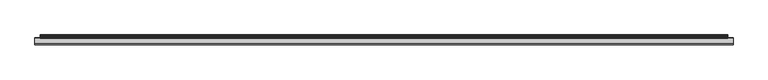
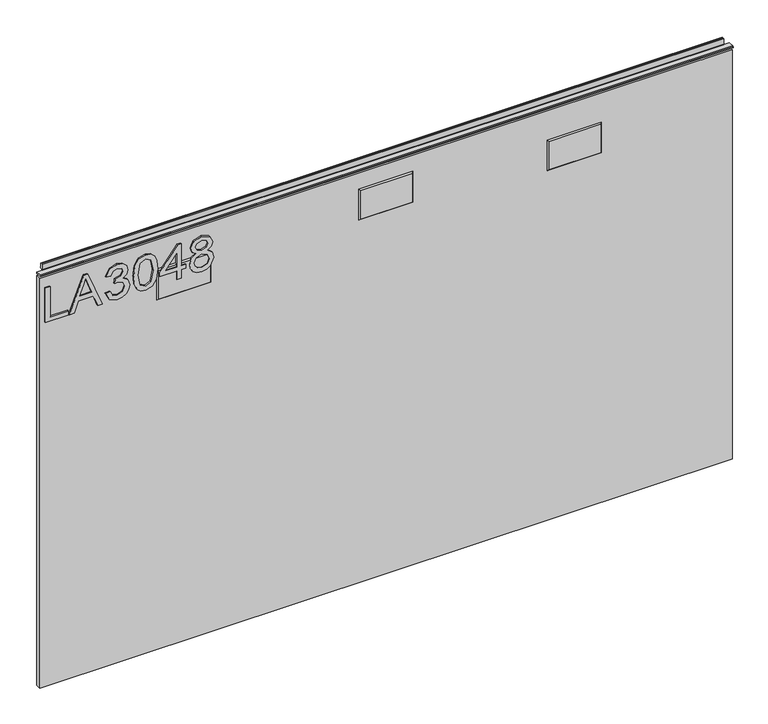
"""IFC4 building model written with IfcOpenShell, lengths in millimetres: furniture geometry."""

from ifc_helpers import new_model, si_unit, frame, origin, place, context, project, spatial, polyline, outline, extrude, faceted_brep, source, transform, mapped, element, save


def furniture_b994f93d(model_context):
    return source(origin(), model_context, "Body", "SolidModel", [
        extrude(outline(polyline([(773.6078, -289.7737583), (773.6078, -249.9051602), (781.5815196, -249.9051602), (781.5815196, -281.8000387), (837.3975569, -281.8000387), (837.3975569, -289.7737583), (773.6078, -289.7737583)])), frame((0.0, -5.5283158, 0.0), z_axis=(0.0, 1.0, 0.0), x_axis=(0.0, 0.0, 1.0)), (0.0, 0.0, 1.0), 2.38125),
        extrude(outline(polyline([(773.6078, -248.3633668), (773.6078, -239.9380107), (793.542099, -232.6495326), (793.542099, -206.3767494), (773.6078, -199.0726976), (773.6078, -190.6473416), (837.3975569, -216.1102938), (837.3975569, -222.9004145), (773.6078, -248.3633668)]), holes=[polyline([(801.5158187, -229.7216824), (818.5689885, -223.4766403), (829.4238373, -219.5053542), (817.1985055, -215.0357105), (801.5158187, -209.2890259), (801.5158187, -229.7216824)])]), frame((0.0, -5.5283158, 0.0), z_axis=(0.0, 1.0, 0.0), x_axis=(0.0, 0.0, 1.0)), (0.0, 0.0, 1.0), 2.38125),
        extrude(outline(polyline([(790.5519542, -185.1186883), (777.6102335, -178.7802041), (772.611085, -164.7950475), (774.0750101, -156.272356), (778.4667854, -149.3615394), (784.9610063, -144.7828801), (792.7322681, -143.2566603), (803.1043331, -146.3090998), (808.555118, -154.9992083), (813.8345925, -148.4582665), (821.1853653, -146.2468052), (829.2291664, -148.575069), (835.2094562, -155.3028949), (837.3975569, -164.9196368), (832.9590607, -177.5966051), (820.4534028, -184.1219733), (819.4566878, -176.1482537), (826.9320499, -172.2392623), (829.4238373, -164.6393108), (826.9554105, -157.1328013), (820.7181552, -154.2205248), (813.6788558, -158.2385319), (811.4829682, -168.5638759), (803.5092486, -169.4515751), (804.3813742, -163.8606272), (801.11869, -154.7967506), (792.8724312, -151.2303799), (784.120028, -154.827898), (780.5848047, -164.5147214), (783.1544604, -172.7454066), (791.5486691, -177.1449687), (790.5519542, -185.1186883)])), frame((0.0, -5.5283158, 0.0), z_axis=(0.0, 1.0, 0.0), x_axis=(0.0, 0.0, 1.0)), (0.0, 0.0, 1.0), 2.38125),
        extrude(outline(polyline([(804.9887473, -136.2796556), (789.4734775, -134.6911412), (778.6848168, -129.9255978), (774.129518, -123.6338347), (772.611085, -115.3486416), (776.1073742, -103.6761751), (786.7130443, -96.7381046), (804.9887473, -94.4176276), (819.9784058, -95.8659791), (829.4160505, -99.6036601), (835.3418324, -106.0355863), (837.3975569, -115.3486416), (833.9246283, -126.9743871), (823.3423188, -133.9358181), (804.9887473, -136.2796556)]), holes=[polyline([(805.004321, -128.305936), (825.1566514, -124.4436656), (829.4238373, -115.4420837), (824.5804256, -106.004439), (805.004321, -102.3913473), (785.2179718, -106.1290283), (780.5848047, -115.3486416), (785.2023982, -124.5682549), (805.004321, -128.305936)])]), frame((0.0, -5.5283158, 0.0), z_axis=(0.0, 1.0, 0.0), x_axis=(0.0, 0.0, 1.0)), (0.0, 0.0, 1.0), 2.38125),
        extrude(outline(polyline([(773.6078, -61.5260342), (773.6078, -53.5523146), (788.5585243, -53.5523146), (788.5585243, -45.578595), (796.5322439, -45.578595), (796.5322439, -53.5523146), (836.400842, -53.5523146), (836.400842, -59.5326043), (796.5322439, -90.4307678), (788.5585243, -90.4307678), (788.5585243, -61.5260342), (773.6078, -61.5260342)]), holes=[polyline([(796.5322439, -61.5260342), (796.5322439, -80.619355), (821.1697916, -61.5260342), (796.5322439, -61.5260342)])]), frame((0.0, -5.5283158, 0.0), z_axis=(0.0, 1.0, 0.0), x_axis=(0.0, 0.0, 1.0)), (0.0, 0.0, 1.0), 2.38125),
        extrude(outline(polyline([(808.7420021, -26.9836317), (802.9485964, -35.5802981), (792.3896474, -38.6015903), (784.6320125, -37.1610257), (778.2721145, -32.839332), (774.0263424, -26.1660139), (772.611085, -17.6705763), (774.0205023, -9.1751387), (778.248754, -2.5018206), (792.171616, 3.2604377), (802.4891731, 0.355948), (808.7420021, -8.1239159), (813.671069, -1.0612561), (821.1853653, 1.2670078), (832.6787346, -3.9657457), (837.3975569, -17.779592), (832.7877503, -31.4688489), (821.4033967, -36.6081604), (813.6944295, -34.2487492), (808.7420021, -26.9836317)]), holes=[polyline([(821.1697916, -28.6344408), (826.9943446, -25.7610985), (829.4238373, -17.6705763), (826.9398368, -9.6034147), (820.8115972, -6.7067118), (814.8936022, -9.5099726), (812.4796831, -17.5771343), (814.9091758, -25.8078195), (821.1697916, -28.6344408)]), polyline([(792.6699735, -30.6278707), (801.1264769, -27.2561709), (804.5059635, -17.873034), (801.0797559, -8.2173579), (792.4207947, -4.7132819), (783.9253571, -8.1083422), (780.5848047, -17.6082816), (782.1733191, -24.5852863), (786.6663232, -29.2963218), (792.6699735, -30.6278707)])]), frame((0.0, -5.5283158, 0.0), z_axis=(0.0, 1.0, 0.0), x_axis=(0.0, 0.0, 1.0)), (0.0, 0.0, 1.0), 2.38125),
        faceted_brep([(677.510075, -5.2069939, 800.173422), (587.816325, -5.2069939, 800.173422), (587.816325, -5.2069939, 748.0835783), (677.510075, -5.2069939, 748.0835783), (679.7921062, -3.1749939, 802.4554533), (679.7921062, -3.1749939, 745.801547), (585.5342937, -3.1749939, 745.801547), (585.5342937, -3.1749939, 802.4554533)], [[[0, 1, 2, 3]], [[4, 5, 6, 7]], [[4, 7, 1, 0]], [[7, 6, 2, 1]], [[6, 5, 3, 2]], [[5, 4, 0, 3]]]),
        faceted_brep([(349.123, -5.2069939, 824.34176), (259.461, -5.2069939, 824.34176), (259.461, -5.2069939, 772.27176), (349.123, -5.2069939, 772.27176), (351.409, -3.1749939, 826.62776), (351.409, -3.1749939, 769.98576), (257.175, -3.1749939, 769.98576), (257.175, -3.1749939, 826.62776)], [[[0, 1, 2, 3]], [[4, 5, 6, 7]], [[4, 7, 1, 0]], [[7, 6, 2, 1]], [[6, 5, 3, 2]], [[5, 4, 0, 3]]]),
        faceted_brep([(-2.422525, -5.2069939, 800.173422), (-92.116275, -5.2069939, 800.173422), (-92.116275, -5.2069939, 748.0835783), (-2.422525, -5.2069939, 748.0835783), (-0.1404938, -3.1749939, 802.4554533), (-0.1404938, -3.1749939, 745.801547), (-94.3983063, -3.1749939, 745.801547), (-94.3983063, -3.1749939, 802.4554533)], [[[0, 1, 2, 3]], [[4, 5, 6, 7]], [[4, 7, 1, 0]], [[7, 6, 2, 1]], [[6, 5, 3, 2]], [[5, 4, 0, 3]]]),
        extrude(outline(polyline([(-298.196, 6.3500061), (907.796, 6.3500061), (907.796, -3.1749939), (-298.196, -3.1749939), (-298.196, 6.3500061)])), frame((0.0, 0.0, 101.6), z_axis=(0.0, 0.0, 1.0), x_axis=(1.0, 0.0, 0.0)), (0.0, 0.0, 1.0), 754.5578),
        extrude(outline(polyline([(5.5562561, 863.6), (6.3500061, 863.6), (6.3500061, 873.47425), (7.1437561, 874.268), (8.6677569, 874.268), (10.0084363, 873.8506926), (10.875413, 872.7461816), (10.9623604, 871.3447591), (10.2390011, 868.3863459), (10.4046103, 867.1833307), (11.6746103, 864.9836103), (10.7786383, 864.4663244), (7.1437561, 864.4663244), (7.1437561, 863.6), (6.3500061, 863.3669239), (6.3500061, 856.1578), (5.5562561, 856.1578), (5.5562561, 863.6)])), frame((-288.671, 0.0, 0.0), z_axis=(1.0, 0.0, 0.0), x_axis=(0.0, 1.0, 0.0)), (0.0, 0.0, 1.0), 1186.942),
        extrude(outline(polyline([(5.5562561, 863.6), (5.5562561, 860.4249996), (-3.975094, 860.4249996), (-5.3492339, 861.2183657), (-5.3492339, 862.8066395), (-3.9751037, 863.6), (5.5562561, 863.6)])), frame((-298.196, 0.0, 0.0), z_axis=(1.0, 0.0, 0.0), x_axis=(0.0, 1.0, 0.0)), (0.0, 0.0, 1.0), 1205.992),
    ])


if __name__ == "__main__":
    model = new_model("IFC4")
    model_context = context("Model", 3, world=origin())
    ifc_project = project(units=[si_unit("LENGTHUNIT", "METRE", prefix="MILLI")], contexts=[model_context])
    site = spatial("IfcSite", under=ifc_project)
    building = spatial("IfcBuilding", under=site)
    placement = place(None, origin())
    furniture_shape = furniture_b994f93d(model_context)
    element("IfcFurniture", 1, at=placement, inside=building, context=model_context, shape_type="MappedRepresentation", body=[
        mapped(furniture_shape, transform((0.0, 0.0, 0.0), x_axis=(1.0, 0.0, 0.0), y_axis=(0.0, 1.0, 0.0), z_axis=(0.0, 0.0, 1.0))),
    ])
    save(model, "model.ifc")
